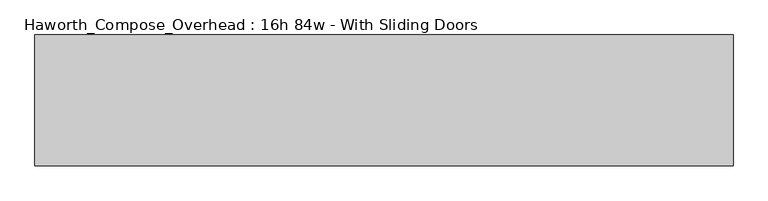
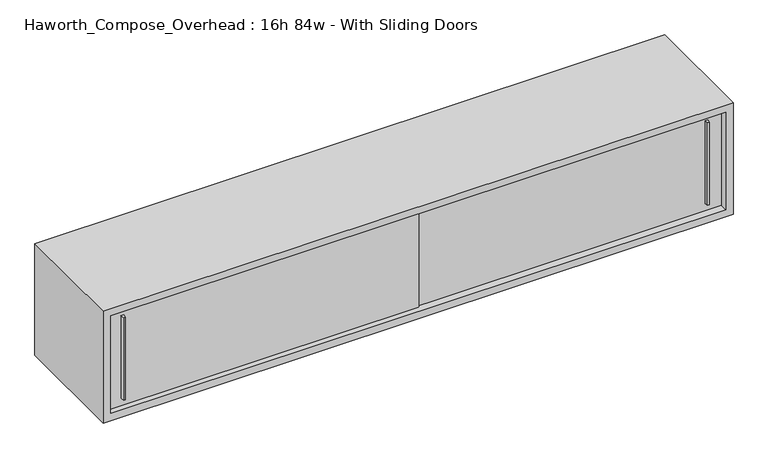
"""IFC4 building model written with IfcOpenShell, lengths in millimetres: furniture geometry, Haworth_Compose_Overhead : 16h 84w - With Sliding Doors."""

from ifc_helpers import new_model, si_unit, frame, origin, place, context, project, spatial, polyline, outline, extrude, source, transform, mapped, element, save


def haworth_compose_overhead_16h_84w_with_sliding_doors_4e71271f(model_context):
    return source(origin(), model_context, "Body", "SweptSolid", [
        extrude(outline(polyline([(1158.8750004, -387.3499879), (1152.5249996, -387.3499879), (1150.9375011, -374.65), (1160.4624989, -374.65), (1158.8750004, -387.3499879)])), frame((0.0, 0.0, 1322.3875), z_axis=(0.0, 0.0, 1.0), x_axis=(1.0, 0.0, 0.0)), (0.0, 0.0, 1.0), 295.275),
        extrude(outline(polyline([(-822.3249996, -393.6999879), (-828.6750004, -393.6999879), (-830.2624989, -381.0), (-820.7375011, -381.0), (-822.3249996, -393.6999879)])), frame((0.0, 0.0, 1322.3875), z_axis=(0.0, 0.0, 1.0), x_axis=(1.0, 0.0, 0.0)), (0.0, 0.0, 1.0), 295.275),
        extrude(outline(polyline([(-876.3, -374.65), (177.8, -374.65), (177.8, -381.0), (-876.3, -381.0), (-876.3, -374.65)])), frame((0.0, 0.0, 1295.4), z_axis=(0.0, 0.0, 1.0), x_axis=(1.0, 0.0, 0.0)), (0.0, 0.0, 1.0), 349.25),
        extrude(outline(polyline([(152.4, -368.3), (1206.5, -368.3), (1206.5, -374.65), (152.4, -374.65), (152.4, -368.3)])), frame((0.0, 0.0, 1295.4), z_axis=(0.0, 0.0, 1.0), x_axis=(1.0, 0.0, 0.0)), (0.0, 0.0, 1.0), 349.25),
        extrude(outline(polyline([(1206.5, -6.35), (-876.3, -6.35), (-876.3, 0.0), (1206.5, 0.0), (1206.5, -6.35)])), frame((0.0, 0.0, 1295.4), z_axis=(0.0, 0.0, 1.0), x_axis=(1.0, 0.0, 0.0)), (0.0, 0.0, 1.0), 349.25),
        extrude(outline(polyline([(1270.0, 1231.9), (1670.05, 1231.9), (1670.05, -901.7), (1270.0, -901.7), (1270.0, 1231.9)]), holes=[polyline([(1644.65, 1206.5), (1295.4, 1206.5), (1295.4, -876.3), (1644.65, -876.3), (1644.65, 1206.5)])]), frame((0.0, -400.05, 0.0), z_axis=(0.0, 1.0, 0.0), x_axis=(0.0, 0.0, 1.0)), (0.0, 0.0, 1.0), 400.05),
    ])


if __name__ == "__main__":
    model = new_model("IFC4")
    model_context = context("Model", 3, world=origin())
    ifc_project = project(units=[si_unit("LENGTHUNIT", "METRE", prefix="MILLI")], contexts=[model_context])
    site = spatial("IfcSite", under=ifc_project)
    building = spatial("IfcBuilding", under=site)
    placement = place(None, origin())
    haworth_compose_overhead_16h_84w_with_sliding_doors_shape = haworth_compose_overhead_16h_84w_with_sliding_doors_4e71271f(model_context)
    element("IfcFurniture", 1, ObjectType="Haworth_Compose_Overhead : 16h 84w - With Sliding Doors", at=placement, inside=building, context=model_context, shape_type="MappedRepresentation", body=[
        mapped(haworth_compose_overhead_16h_84w_with_sliding_doors_shape, transform((0.0, 0.0, 0.0), x_axis=(1.0, 0.0, 0.0), y_axis=(0.0, 1.0, 0.0), z_axis=(0.0, 0.0, 1.0))),
    ])
    save(model, "model.ifc")
